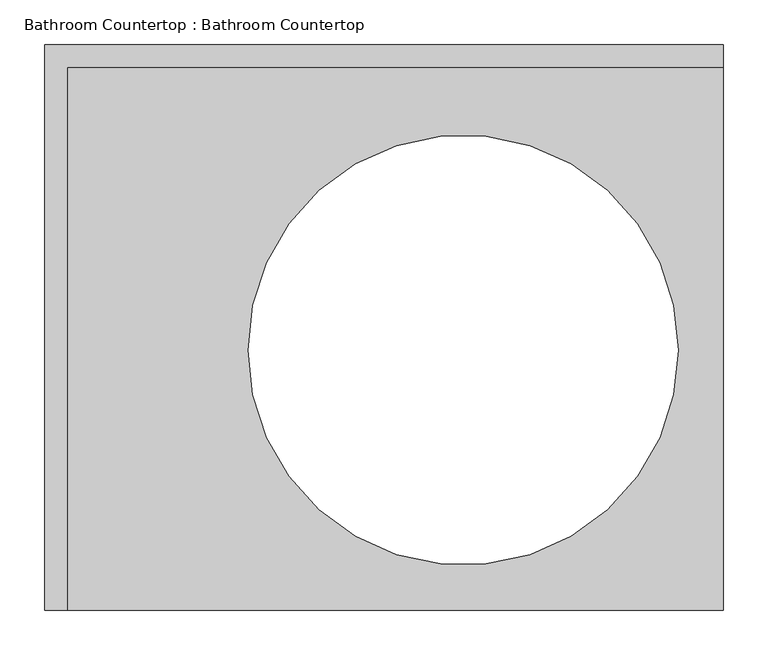
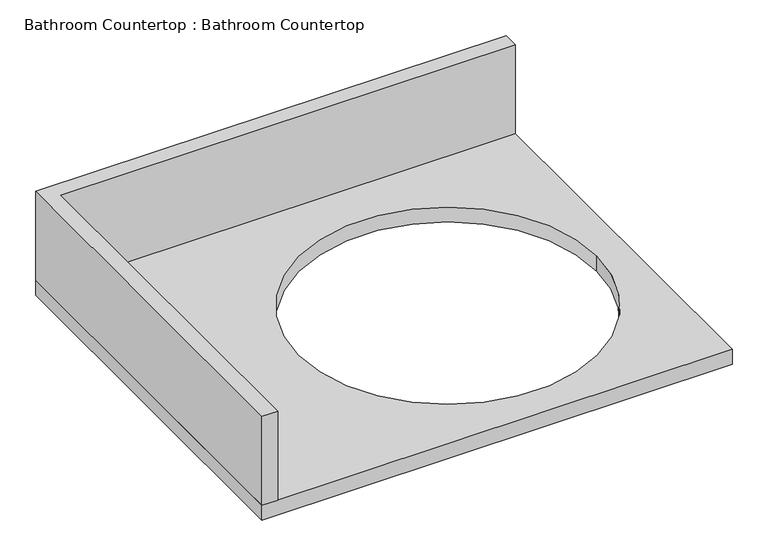
"""IFC4 building model written with IfcOpenShell, lengths in millimetres: proxy geometry, Bathroom Countertop : Bathroom Countertop."""

from ifc_helpers import new_model, si_unit, point, frame, frame_2d, origin, place, context, project, spatial, polyline, circle_curve, trimmed, segment, composite_curve, outline, extrude, source, transform, mapped, element, save


def bathroom_countertop_bathroom_countertop_c73a901e(model_context):
    return source(origin(), model_context, "Body", "SweptSolid", [
        extrude(outline(polyline([(-381.0, -53.975), (381.0, -53.975), (381.0, -79.375), (-355.6, -79.375), (-355.6, -688.975), (-381.0, -688.975), (-381.0, -53.975)])), frame((0.0, 0.0, 914.4), z_axis=(0.0, 0.0, 1.0), x_axis=(1.0, 0.0, 0.0)), (0.0, 0.0, 1.0), 152.4),
        extrude(outline(polyline([(-381.0, -688.975), (-381.0, -53.975), (381.0, -53.975), (381.0, -688.975), (-381.0, -688.975)]), holes=[composite_curve([segment(trimmed(circle_curve(frame_2d((88.9, -396.875)), 241.3), [point((-152.4, -396.875))], [point((330.2, -396.875))], True, "CARTESIAN"), True, "CONTINUOUS"), segment(trimmed(circle_curve(frame_2d((88.9, -396.875)), 241.3), [point((330.2, -396.875))], [point((-152.4, -396.875))], True, "CARTESIAN"), True, "CONTINUOUS")], self_intersect=False)]), frame((0.0, 0.0, 889.0), z_axis=(0.0, 0.0, 1.0), x_axis=(1.0, 0.0, 0.0)), (0.0, 0.0, 1.0), 25.4),
    ])


if __name__ == "__main__":
    model = new_model("IFC4")
    model_context = context("Model", 3, world=origin())
    ifc_project = project(units=[si_unit("LENGTHUNIT", "METRE", prefix="MILLI")], contexts=[model_context])
    site = spatial("IfcSite", under=ifc_project)
    building = spatial("IfcBuilding", under=site)
    placement = place(None, origin())
    bathroom_countertop_bathroom_countertop_shape = bathroom_countertop_bathroom_countertop_c73a901e(model_context)
    element("IfcBuildingElementProxy", 1, Name="Bathroom Countertop : Bathroom Countertop", ObjectType="Bathroom Countertop : Bathroom Countertop", at=placement, inside=building, context=model_context, shape_type="MappedRepresentation", body=[
        mapped(bathroom_countertop_bathroom_countertop_shape, transform((0.0, 0.0, 0.0), x_axis=(1.0, 0.0, 0.0), y_axis=(0.0, 1.0, 0.0), z_axis=(0.0, 0.0, 1.0))),
    ])
    save(model, "model.ifc")
